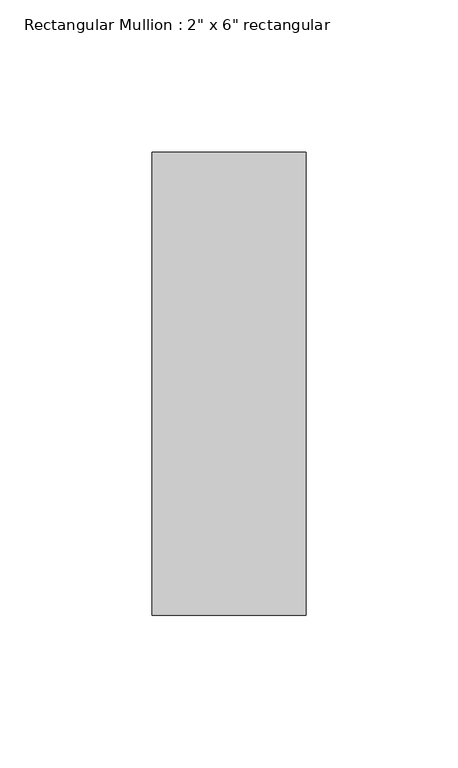
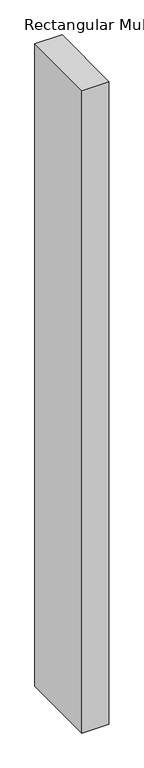
"""IFC4 building model written with IfcOpenShell, lengths in millimetres: member geometry."""

from ifc_helpers import new_model, si_unit, frame, origin, place, context, project, spatial, polyline, outline, extrude, source, transform, mapped, element, save


def member_b17b8440(model_context):
    return source(origin(), model_context, "Body", "SweptSolid", [
        extrude(outline(polyline([(0.0, 76.2), (0.0, -76.2), (-50.8, -76.2), (-50.8, 76.2), (0.0, 76.2)])), frame((0.0, 0.0, -1273.1069353), z_axis=(0.0, 0.0, 1.0), x_axis=(1.0, 0.0, 0.0)), (0.0, 0.0, 1.0), 1273.1069353),
    ])


if __name__ == "__main__":
    model = new_model("IFC4")
    model_context = context("Model", 3, world=origin())
    ifc_project = project(units=[si_unit("LENGTHUNIT", "METRE", prefix="MILLI")], contexts=[model_context])
    site = spatial("IfcSite", under=ifc_project)
    building = spatial("IfcBuilding", under=site)
    placement = place(None, origin())
    member_shape = member_b17b8440(model_context)
    element("IfcMember", 1, ObjectType="Rectangular Mullion : 2\" x 6\" rectangular", at=placement, inside=building, context=model_context, shape_type="MappedRepresentation", body=[
        mapped(member_shape, transform((0.0, 0.0, 0.0), x_axis=(1.0, 0.0, 0.0), y_axis=(0.0, 1.0, 0.0), z_axis=(0.0, 0.0, 1.0))),
    ])
    save(model, "model.ifc")
